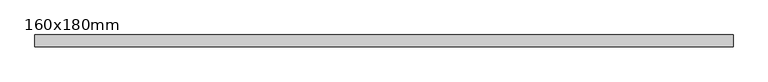
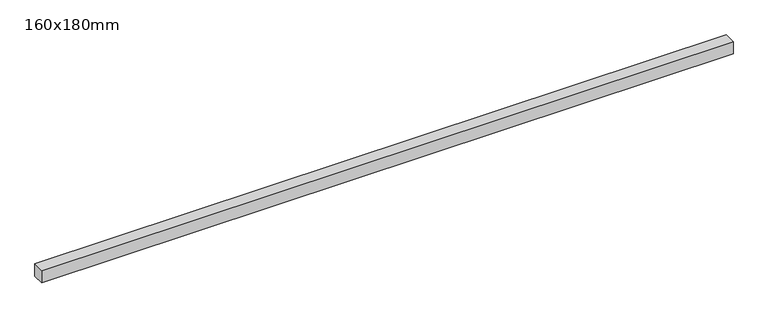
"""IFC4 building model written with IfcOpenShell, lengths in millimetres: beam geometry, 160x180mm."""

from ifc_helpers import new_model, si_unit, frame, origin, place, context, project, spatial, polyline, outline, extrude, source, transform, mapped, element, save


def beam_160x180mm_fb8ce440(model_context):
    return source(origin(), model_context, "Body", "SweptSolid", [
        extrude(outline(polyline([(4750.0, 80.0), (4750.0, -80.0), (-4750.0, -80.0), (-4750.0, 80.0), (4750.0, 80.0)])), frame((0.0, 0.0, -90.0), z_axis=(0.0, 0.0, 1.0), x_axis=(1.0, 0.0, 0.0)), (0.0, 0.0, 1.0), 180.0),
    ])


if __name__ == "__main__":
    model = new_model("IFC4")
    model_context = context("Model", 3, world=origin())
    ifc_project = project(units=[si_unit("LENGTHUNIT", "METRE", prefix="MILLI")], contexts=[model_context])
    site = spatial("IfcSite", under=ifc_project)
    building = spatial("IfcBuilding", under=site)
    placement = place(None, origin())
    beam_160x180mm_shape = beam_160x180mm_fb8ce440(model_context)
    element("IfcBeam", 1, ObjectType="160x180mm", at=placement, inside=building, context=model_context, shape_type="MappedRepresentation", body=[
        mapped(beam_160x180mm_shape, transform((0.0, 0.0, 0.0), x_axis=(1.0, 0.0, 0.0), y_axis=(0.0, 1.0, 0.0), z_axis=(0.0, 0.0, 1.0))),
    ])
    save(model, "model.ifc")
